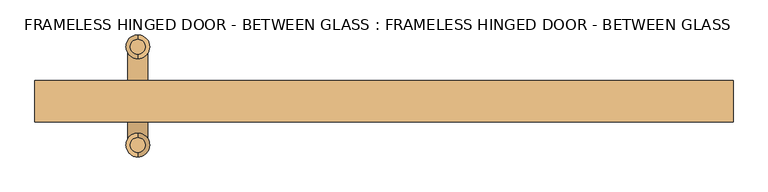
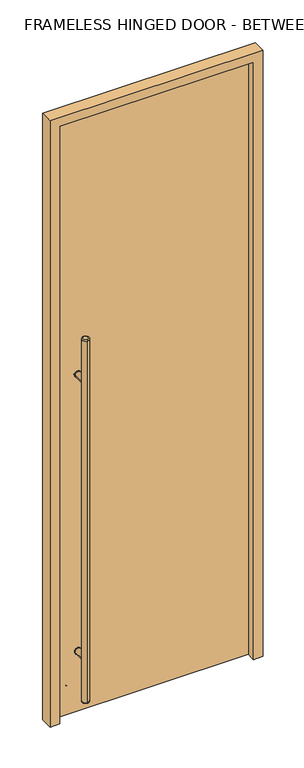
"""IFC4 building model written with IfcOpenShell, lengths in millimetres: door geometry, FRAMELESS HINGED DOOR - BETWEEN GLASS : FRAMELESS HINGED DOOR - BETWEEN GLASS."""

from ifc_helpers import new_model, si_unit, point, frame, frame_2d, origin, place, context, project, spatial, polyline, circle_curve, ellipse_curve, trimmed, segment, composite_curve, outline, extrude, faceted_brep, source, transform, mapped, element, save
from ifc_brep_helpers import plane_surface, cylinder_surface, revolved_surface, advanced_brep


def frameless_hinged_door_between_glass_frameless_hinged_door_11528f81(model_context):
    return source(origin(), model_context, "Body", "SolidModel", [
        extrude(outline(composite_curve([segment(trimmed(circle_curve(frame_2d((312.7375, -357.1875)), 15.875), [point((312.7375, -373.0625))], [point((312.7375, -341.3125))], False, "CARTESIAN"), True, "CONTINUOUS"), segment(trimmed(circle_curve(frame_2d((312.7375, -357.1875)), 15.875), [point((312.7375, -341.3125))], [point((312.7375, -373.0625))], False, "CARTESIAN"), True, "CONTINUOUS")], self_intersect=False)), frame((0.0, 14.2875, 0.0), z_axis=(0.0, 1.0, 0.0), x_axis=(0.0, 0.0, 1.0)), (0.0, 0.0, 1.0), 3.175),
        extrude(outline(composite_curve([segment(trimmed(circle_curve(frame_2d((1703.3875, -357.1875)), 15.875), [point((1703.3875, -341.3125))], [point((1703.3875, -373.0625))], False, "CARTESIAN"), True, "CONTINUOUS"), segment(trimmed(circle_curve(frame_2d((1703.3875, -357.1875)), 15.875), [point((1703.3875, -373.0625))], [point((1703.3875, -341.3125))], False, "CARTESIAN"), True, "CONTINUOUS")], self_intersect=False)), frame((0.0, 14.2875, 0.0), z_axis=(0.0, 1.0, 0.0), x_axis=(0.0, 0.0, 1.0)), (0.0, 0.0, 1.0), 3.175),
        extrude(outline(composite_curve([segment(trimmed(circle_curve(frame_2d((312.7375, -357.1875)), 15.875), [point((312.7375, -373.0625))], [point((312.7375, -341.3125))], False, "CARTESIAN"), True, "CONTINUOUS"), segment(trimmed(circle_curve(frame_2d((312.7375, -357.1875)), 15.875), [point((312.7375, -341.3125))], [point((312.7375, -373.0625))], False, "CARTESIAN"), True, "CONTINUOUS")], self_intersect=False)), frame((0.0, -1.5875, 0.0), z_axis=(0.0, 1.0, 0.0), x_axis=(0.0, 0.0, 1.0)), (0.0, 0.0, 1.0), 3.175),
        extrude(outline(composite_curve([segment(trimmed(circle_curve(frame_2d((1703.3875, -357.1875)), 15.875), [point((1703.3875, -373.0625))], [point((1703.3875, -341.3125))], False, "CARTESIAN"), True, "CONTINUOUS"), segment(trimmed(circle_curve(frame_2d((1703.3875, -357.1875)), 15.875), [point((1703.3875, -341.3125))], [point((1703.3875, -373.0625))], False, "CARTESIAN"), True, "CONTINUOUS")], self_intersect=False)), frame((0.0, -1.5875, 0.0), z_axis=(0.0, 1.0, 0.0), x_axis=(0.0, 0.0, 1.0)), (0.0, 0.0, 1.0), 3.175),
        extrude(outline(composite_curve([segment(trimmed(circle_curve(frame_2d((312.7375, -357.1875)), 14.2875), [point((312.7375, -342.9))], [point((312.7375, -371.475))], False, "CARTESIAN"), True, "CONTINUOUS"), segment(trimmed(circle_curve(frame_2d((312.7375, -357.1875)), 14.2875), [point((312.7375, -371.475))], [point((312.7375, -342.9))], False, "CARTESIAN"), True, "CONTINUOUS")], self_intersect=False)), frame((0.0, -63.5, 0.0), z_axis=(0.0, 1.0, 0.0), x_axis=(0.0, 0.0, 1.0)), (0.0, 0.0, 1.0), 65.0875),
        extrude(outline(composite_curve([segment(trimmed(circle_curve(frame_2d((1703.3875, -357.1875)), 14.2875), [point((1703.3875, -342.9))], [point((1703.3875, -371.475))], False, "CARTESIAN"), True, "CONTINUOUS"), segment(trimmed(circle_curve(frame_2d((1703.3875, -357.1875)), 14.2875), [point((1703.3875, -371.475))], [point((1703.3875, -342.9))], False, "CARTESIAN"), True, "CONTINUOUS")], self_intersect=False)), frame((0.0, -63.5, 0.0), z_axis=(0.0, 1.0, 0.0), x_axis=(0.0, 0.0, 1.0)), (0.0, 0.0, 1.0), 65.0875),
        advanced_brep(
        [(-357.1875, 68.58, 1924.05), (-357.1875, 90.17, 1924.05), (-357.1875, 90.17, 95.25), (-357.1875, 68.58, 95.25), (-357.1875, 96.52, 101.6), (-357.1875, 96.52, 1917.7), (-357.1875, 62.23, 1917.7), (-357.1875, 62.23, 101.6)],
        [
            (0, 1, circle_curve(frame((-357.1875, 79.375, 1924.05), z_axis=(0.0, 0.0, 1.0), x_axis=(0.0, -1.0, 0.0)), 10.795)),
            (1, 0, circle_curve(frame((-357.1875, 79.375, 1924.05), z_axis=(0.0, 0.0, 1.0), x_axis=(0.0, -1.0, 0.0)), 10.795)),
            (2, 3, circle_curve(frame((-357.1875, 79.375, 95.25), z_axis=(0.0, 0.0, -1.0), x_axis=(0.0, -1.0, 0.0)), 10.795)),
            (3, 2, circle_curve(frame((-357.1875, 79.375, 95.25), z_axis=(0.0, 0.0, -1.0), x_axis=(0.0, -1.0, 0.0)), 10.795)),
            (4, 5),
            (5, 6, circle_curve(frame((-357.1875, 79.375, 1917.7), z_axis=(0.0, 0.0, -1.0), x_axis=(0.0, -1.0, 0.0)), 17.145)),
            (6, 7),
            (7, 4, circle_curve(frame((-357.1875, 79.375, 101.6), z_axis=(0.0, 0.0, 1.0), x_axis=(0.0, -1.0, 0.0)), 17.145)),
            (6, 5, circle_curve(frame((-357.1875, 79.375, 1917.7), z_axis=(0.0, 0.0, -1.0), x_axis=(0.0, -1.0, 0.0)), 17.145)),
            (4, 7, circle_curve(frame((-357.1875, 79.375, 101.6), z_axis=(0.0, 0.0, 1.0), x_axis=(0.0, -1.0, 0.0)), 17.145)),
            (3, 7, circle_curve(frame((-357.1875, 68.58, 101.6), z_axis=(-1.0, 0.0, 0.0), x_axis=(0.0, -1.0, 0.0)), 6.35)),
            (4, 2, circle_curve(frame((-357.1875, 90.17, 101.6), z_axis=(-1.0, 0.0, 0.0), x_axis=(0.0, 1.0, 0.0)), 6.35)),
            (6, 0, circle_curve(frame((-357.1875, 68.58, 1917.7), z_axis=(-1.0, 0.0, 0.0), x_axis=(0.0, -1.0, 0.0)), 6.35)),
            (1, 5, circle_curve(frame((-357.1875, 90.17, 1917.7), z_axis=(-1.0, 0.0, 0.0), x_axis=(0.0, 1.0, 0.0)), 6.35)),
        ],
        [
            plane_surface(frame((-357.1875, -80.645, 1924.05), z_axis=(0.0, 0.0, 1.0), x_axis=(-1.0, 0.0, 0.0))),
            plane_surface(frame((-357.1875, -80.645, 95.25), z_axis=(0.0, 0.0, -1.0), x_axis=(1.0, 0.0, 0.0))),
            cylinder_surface(frame((-357.1875, 79.375, 95.25), z_axis=(0.0, 0.0, 1.0), x_axis=(0.0, -1.0, 0.0)), 17.145),
            revolved_surface(trimmed(ellipse_curve(frame((-357.1875, 68.58, 101.6), z_axis=(-1.0, 0.0, 0.0), x_axis=(0.0, -1.0, 0.0)), 6.35, 6.35), [point((-357.1875, 68.58, 95.25))], [point((-357.1875, 62.23, 101.6))], True, "CARTESIAN"), (-357.1875, 79.375, 2533.65), (0.0, 0.0, 1.0)),
            revolved_surface(trimmed(ellipse_curve(frame((-357.1875, 68.58, 1917.7), z_axis=(-1.0, 0.0, 0.0), x_axis=(0.0, -1.0, 0.0)), 6.35, 6.35), [point((-357.1875, 62.23, 1917.7))], [point((-357.1875, 68.58, 1924.05))], True, "CARTESIAN"), (-357.1875, 79.375, -514.35), (0.0, 0.0, 1.0)),
        ],
        [
            (0, [[1, 2]]),
            (1, [[3, 4]]),
            (2, [[5, 6, 7, 8]]),
            (2, [[-7, 9, -5, 10]]),
            (3, [[-4, 11, -10, 12]]),
            (3, [[-8, -11, -3, -12]]),
            (4, [[-9, 13, -2, 14]]),
            (4, [[-1, -13, -6, -14]]),
        ],
    ),
        advanced_brep(
        [(-357.1875, -74.295, 1924.05), (-357.1875, -52.705, 1924.05), (-357.1875, -52.705, 95.25), (-357.1875, -74.295, 95.25), (-357.1875, -46.355, 101.6), (-357.1875, -46.355, 1917.7), (-357.1875, -80.645, 1917.7), (-357.1875, -80.645, 101.6)],
        [
            (0, 1, circle_curve(frame((-357.1875, -63.5, 1924.05), z_axis=(0.0, 0.0, 1.0), x_axis=(0.0, 1.0, 0.0)), 10.795)),
            (1, 0, circle_curve(frame((-357.1875, -63.5, 1924.05), z_axis=(0.0, 0.0, 1.0), x_axis=(0.0, 1.0, 0.0)), 10.795)),
            (2, 3, circle_curve(frame((-357.1875, -63.5, 95.25), z_axis=(0.0, 0.0, -1.0), x_axis=(0.0, 1.0, 0.0)), 10.795)),
            (3, 2, circle_curve(frame((-357.1875, -63.5, 95.25), z_axis=(0.0, 0.0, -1.0), x_axis=(0.0, 1.0, 0.0)), 10.795)),
            (4, 5),
            (5, 6, circle_curve(frame((-357.1875, -63.5, 1917.7), z_axis=(0.0, 0.0, -1.0), x_axis=(0.0, -1.0, 0.0)), 17.145)),
            (6, 7),
            (7, 4, circle_curve(frame((-357.1875, -63.5, 101.6), z_axis=(0.0, 0.0, 1.0), x_axis=(0.0, -1.0, 0.0)), 17.145)),
            (6, 5, circle_curve(frame((-357.1875, -63.5, 1917.7), z_axis=(0.0, 0.0, -1.0), x_axis=(0.0, -1.0, 0.0)), 17.145)),
            (4, 7, circle_curve(frame((-357.1875, -63.5, 101.6), z_axis=(0.0, 0.0, 1.0), x_axis=(0.0, -1.0, 0.0)), 17.145)),
            (4, 2, circle_curve(frame((-357.1875, -52.705, 101.6), z_axis=(-1.0, 0.0, 0.0), x_axis=(0.0, 1.0, 0.0)), 6.35)),
            (3, 7, circle_curve(frame((-357.1875, -74.295, 101.6), z_axis=(-1.0, 0.0, 0.0), x_axis=(0.0, -1.0, 0.0)), 6.35)),
            (1, 5, circle_curve(frame((-357.1875, -52.705, 1917.7), z_axis=(-1.0, 0.0, 0.0), x_axis=(0.0, 1.0, 0.0)), 6.35)),
            (6, 0, circle_curve(frame((-357.1875, -74.295, 1917.7), z_axis=(-1.0, 0.0, 0.0), x_axis=(0.0, -1.0, 0.0)), 6.35)),
        ],
        [
            plane_surface(frame((-357.1875, -80.645, 1924.05), z_axis=(0.0, 0.0, 1.0), x_axis=(-1.0, 0.0, 0.0))),
            plane_surface(frame((-357.1875, -80.645, 95.25), z_axis=(0.0, 0.0, -1.0), x_axis=(1.0, 0.0, 0.0))),
            cylinder_surface(frame((-357.1875, -63.5, 95.25), z_axis=(0.0, 0.0, 1.0), x_axis=(0.0, -1.0, 0.0)), 17.145),
            revolved_surface(trimmed(ellipse_curve(frame((-357.1875, -52.705, 101.6), z_axis=(-1.0, 0.0, 0.0), x_axis=(0.0, 1.0, 0.0)), 6.35, 6.35), [point((-357.1875, -46.355, 101.6))], [point((-357.1875, -52.705, 95.25))], True, "CARTESIAN"), (-357.1875, -63.5, 2533.65), (0.0, 0.0, -1.0)),
            revolved_surface(trimmed(ellipse_curve(frame((-357.1875, -52.705, 1917.7), z_axis=(-1.0, 0.0, 0.0), x_axis=(0.0, 1.0, 0.0)), 6.35, 6.35), [point((-357.1875, -52.705, 1924.05))], [point((-357.1875, -46.355, 1917.7))], True, "CARTESIAN"), (-357.1875, -63.5, -514.35), (0.0, 0.0, -1.0)),
        ],
        [
            (0, [[1, 2]]),
            (1, [[3, 4]]),
            (2, [[5, 6, 7, 8]]),
            (2, [[-7, 9, -5, 10]]),
            (3, [[-10, 11, -4, 12]]),
            (3, [[-3, -11, -8, -12]]),
            (4, [[-2, 13, -9, 14]]),
            (4, [[-6, -13, -1, -14]]),
        ],
    ),
        extrude(outline(composite_curve([segment(trimmed(circle_curve(frame_2d((312.7375, -357.1875)), 14.2875), [point((312.7375, -342.9))], [point((312.7375, -371.475))], False, "CARTESIAN"), True, "CONTINUOUS"), segment(trimmed(circle_curve(frame_2d((312.7375, -357.1875)), 14.2875), [point((312.7375, -371.475))], [point((312.7375, -342.9))], False, "CARTESIAN"), True, "CONTINUOUS")], self_intersect=False)), frame((0.0, 14.2875, 0.0), z_axis=(0.0, 1.0, 0.0), x_axis=(0.0, 0.0, 1.0)), (0.0, 0.0, 1.0), 65.0875),
        extrude(outline(composite_curve([segment(trimmed(circle_curve(frame_2d((1703.3875, -357.1875)), 14.2875), [point((1703.3875, -342.9))], [point((1703.3875, -371.475))], False, "CARTESIAN"), True, "CONTINUOUS"), segment(trimmed(circle_curve(frame_2d((1703.3875, -357.1875)), 14.2875), [point((1703.3875, -371.475))], [point((1703.3875, -342.9))], False, "CARTESIAN"), True, "CONTINUOUS")], self_intersect=False)), frame((0.0, 14.2875, 0.0), z_axis=(0.0, 1.0, 0.0), x_axis=(0.0, 0.0, 1.0)), (0.0, 0.0, 1.0), 65.0875),
        faceted_brep([(-506.4125, 30.1625, 0.0), (-449.2625, 30.1625, 0.0), (-449.2625, 20.6375, 0.0), (-461.9625, 20.6375, 0.0), (-461.9625, -30.1625, 0.0), (-506.4125, -30.1625, 0.0), (-506.4125, -30.1625, 3048.0), (-506.4125, 30.1625, 3048.0), (-461.9625, -30.1625, 3003.55), (461.9625, -30.1625, 3003.55), (461.9625, -30.1625, 0.0), (506.4125, -30.1625, 0.0), (506.4125, -30.1625, 3048.0), (-461.9625, 20.6375, 3003.55), (-449.2625, 20.6375, 2990.85), (449.2625, 20.6375, 2990.85), (449.2625, 20.6375, 0.0), (461.9625, 20.6375, 0.0), (461.9625, 20.6375, 3003.55), (-449.2625, 30.1625, 2990.85), (506.4125, 30.1625, 3048.0), (506.4125, 30.1625, 0.0), (449.2625, 30.1625, 0.0), (449.2625, 30.1625, 2990.85)], [[[0, 1, 2, 3, 4, 5]], [[5, 6, 7, 0]], [[4, 8, 9, 10, 11, 12, 6, 5]], [[3, 13, 8, 4]], [[2, 14, 15, 16, 17, 18, 13, 3]], [[1, 19, 14, 2]], [[0, 7, 20, 21, 22, 23, 19, 1]], [[21, 11, 10, 17, 16, 22]], [[23, 22, 16, 15]], [[18, 17, 10, 9]], [[12, 11, 21, 20]], [[6, 12, 20, 7]], [[13, 18, 9, 8]], [[19, 23, 15, 14]]]),
        extrude(outline(polyline([(455.6125, 14.2875), (455.6125, 1.5875), (-455.6125, 1.5875), (-455.6125, 14.2875), (455.6125, 14.2875)])), frame((0.0, 0.0, 9.525), z_axis=(0.0, 0.0, 1.0), x_axis=(1.0, 0.0, 0.0)), (0.0, 0.0, 1.0), 2987.675),
    ])


if __name__ == "__main__":
    model = new_model("IFC4")
    model_context = context("Model", 3, world=origin())
    ifc_project = project(units=[si_unit("LENGTHUNIT", "METRE", prefix="MILLI")], contexts=[model_context])
    site = spatial("IfcSite", under=ifc_project)
    building = spatial("IfcBuilding", under=site)
    placement = place(None, origin())
    frameless_hinged_door_between_glass_frameless_hinged_door_shape = frameless_hinged_door_between_glass_frameless_hinged_door_11528f81(model_context)
    element("IfcDoor", 1, ObjectType="FRAMELESS HINGED DOOR - BETWEEN GLASS : FRAMELESS HINGED DOOR - BETWEEN GLASS", at=placement, inside=building, context=model_context, shape_type="MappedRepresentation", body=[
        mapped(frameless_hinged_door_between_glass_frameless_hinged_door_shape, transform((0.0, 0.0, 0.0), x_axis=(1.0, 0.0, 0.0), y_axis=(0.0, 1.0, 0.0), z_axis=(0.0, 0.0, 1.0))),
    ])
    save(model, "model.ifc")
